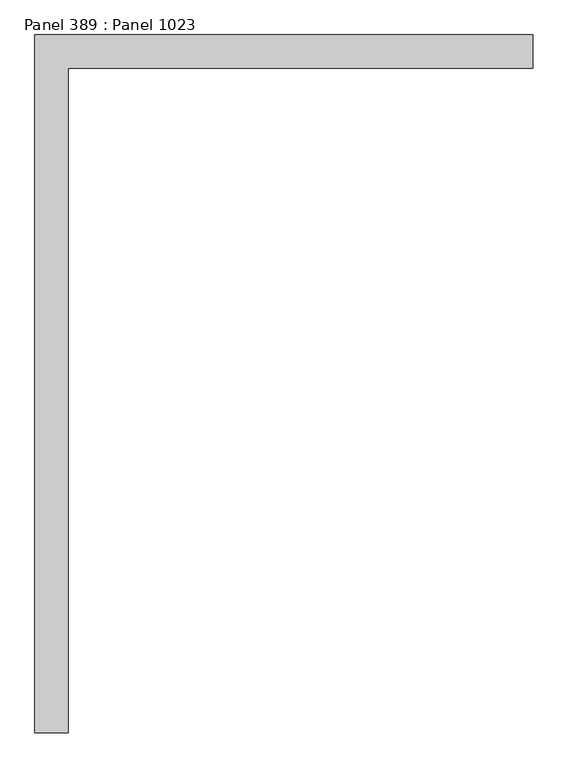
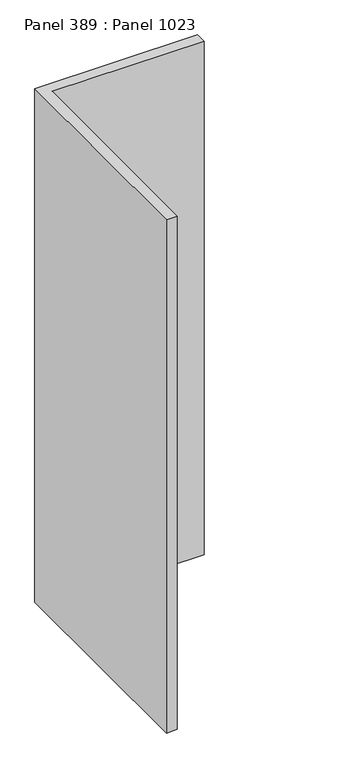
"""IFC4 building model written with IfcOpenShell, lengths in millimetres: proxy geometry, Panel 389 : Panel 1023."""

import ifcopenshell
import ifcopenshell.guid

model = None  # the IFC model being written
_history = None  # IfcOwnerHistory: only IFC2X3 demands one
_inside = {}  # id of a spatial element -> (the spatial element, [elements in it])
_under = {}  # id of a project, library or spatial element -> (it, [spatial elements below it])
_declared = {}  # id of a project -> (the project, [libraries it declares])
_typed = {}  # id of a type object -> (the type object, [elements of that type])
_made_of = {}  # id of a material, layer set ... -> (it, [elements and type objects made of it])


def new_model(schema):
    """Start an empty IFC model of exactly this schema.

    Asked for "IFC4X3", IfcOpenShell would pick the latest addendum, in which some entities
    have other attributes; the version numbers below select the first issue.
    IFC2X3 requires an IfcOwnerHistory on every rooted entity: one is made here for all.
    """
    global model, _history
    if schema == "IFC4X3":
        model = ifcopenshell.file(schema_version=(4, 3, 0, 0))
    else:
        model = ifcopenshell.file(schema=schema)
    _inside.clear()
    _under.clear()
    _declared.clear()
    _typed.clear()
    _made_of.clear()
    _history = None
    if model.schema == "IFC2X3":
        org = make("IfcOrganization", Name="unknown")
        user = make(
            "IfcPersonAndOrganization",
            ThePerson=make("IfcPerson", FamilyName="unknown"),
            TheOrganization=org,
        )
        app = make(
            "IfcApplication",
            ApplicationDeveloper=org,
            Version="unknown",
            ApplicationFullName="unknown",
            ApplicationIdentifier="unknown",
        )
        _history = make(
            "IfcOwnerHistory",
            OwningUser=user,
            OwningApplication=app,
            ChangeAction="ADDED",
            CreationDate=0,
        )
    return model


def make(cls, **values):
    """One entity of the class cls with the attributes given. An attribute that is None is left unset."""
    return model.create_entity(
        cls, **{name: value for name, value in values.items() if value is not None}
    )


def rooted(cls, **values):
    """An entity with a GlobalId (a new one), such as an element, a storey or a relation."""
    return make(cls, GlobalId=ifcopenshell.guid.new(), OwnerHistory=_history, **values)


def si_unit(unit_type, name, prefix=None):
    """IfcSIUnit, for example si_unit("LENGTHUNIT", "METRE", prefix="MILLI")."""
    return make("IfcSIUnit", UnitType=unit_type, Prefix=prefix, Name=name)


def assignment(units):
    """IfcUnitAssignment: the units of a project."""
    return None if units is None else make("IfcUnitAssignment", Units=units)


def point(xyz):
    """IfcCartesianPoint."""
    return None if xyz is None else make("IfcCartesianPoint", Coordinates=xyz)


def direction(xyz):
    """IfcDirection."""
    return None if xyz is None else make("IfcDirection", DirectionRatios=xyz)


def frame(location, z_axis=None, x_axis=None):
    """IfcAxis2Placement3D, a coordinate frame: its origin and axes. An axis left out is left unset."""
    return make(
        "IfcAxis2Placement3D",
        Location=point(location),
        Axis=direction(z_axis),
        RefDirection=direction(x_axis),
    )


def origin():
    """The frame at (0, 0, 0) with its axes left unset."""
    return frame((0.0, 0.0, 0.0))


def place(relative_to, where):
    """IfcLocalPlacement: puts the frame where relative to a parent placement (None: the world)."""
    return make(
        "IfcLocalPlacement", PlacementRelTo=relative_to, RelativePlacement=where
    )


def context(
    kind, dimensions, precision=None, world=None, true_north=None, identifier=None
):
    """IfcGeometricRepresentationContext, for example the 3D "Model" context."""
    return make(
        "IfcGeometricRepresentationContext",
        ContextIdentifier=identifier,
        ContextType=kind,
        CoordinateSpaceDimension=dimensions,
        Precision=precision,
        WorldCoordinateSystem=world,
        TrueNorth=true_north,
    )


def project(units=None, contexts=None):
    """IfcProject with its units and contexts."""
    return rooted(
        "IfcProject",
        Name="project",
        RepresentationContexts=contexts,
        UnitsInContext=assignment(units),
    )


def spatial(cls, under=None, at=None, **own):
    """A site, building, storey or space (cls), placed at a placement, below another one or the project."""
    s = rooted(cls, ObjectPlacement=at, **own)
    if under is not None:
        _under.setdefault(under.id(), (under, []))[1].append(s)
    return s


def polyline(points):
    """IfcPolyline through the points."""
    return make("IfcPolyline", Points=[point(p) for p in points])


def outline(outer, holes=None, kind="AREA"):
    """IfcArbitraryClosedProfileDef: a profile drawn as a closed curve; with holes, ...WithVoids."""
    if holes is None:
        return make("IfcArbitraryClosedProfileDef", ProfileType=kind, OuterCurve=outer)
    return make(
        "IfcArbitraryProfileDefWithVoids",
        ProfileType=kind,
        OuterCurve=outer,
        InnerCurves=holes,
    )


def extrude(swept, where, along, depth):
    """IfcExtrudedAreaSolid: the profile swept, set in the frame where, extruded along a direction by depth."""
    return make(
        "IfcExtrudedAreaSolid",
        SweptArea=swept,
        Position=where,
        ExtrudedDirection=direction(along),
        Depth=depth,
    )


def shape(context_of_items, identifier, shape_type, items):
    """IfcShapeRepresentation: the items that make up one representation, for example the "Body"."""
    return make(
        "IfcShapeRepresentation",
        ContextOfItems=context_of_items,
        RepresentationIdentifier=identifier,
        RepresentationType=shape_type,
        Items=items,
    )


def source(mapping_origin, context_of_items, identifier, shape_type, items):
    """IfcRepresentationMap: a shape defined once, which mapped items show again and again."""
    return make(
        "IfcRepresentationMap",
        MappingOrigin=mapping_origin,
        MappedRepresentation=shape(context_of_items, identifier, shape_type, items),
    )


def transform(
    local_origin,
    x_axis=None,
    y_axis=None,
    z_axis=None,
    scale=None,
    scale2=None,
    scale3=None,
    uniform=True,
):
    """IfcCartesianTransformationOperator3D, or its non-uniform kind. x_axis, y_axis, z_axis: its Axis1, 2, 3."""
    if uniform:
        return make(
            "IfcCartesianTransformationOperator3D",
            Axis1=direction(x_axis),
            Axis2=direction(y_axis),
            LocalOrigin=point(local_origin),
            Scale=scale,
            Axis3=direction(z_axis),
        )
    return make(
        "IfcCartesianTransformationOperator3DnonUniform",
        Axis1=direction(x_axis),
        Axis2=direction(y_axis),
        LocalOrigin=point(local_origin),
        Scale=scale,
        Axis3=direction(z_axis),
        Scale2=scale2,
        Scale3=scale3,
    )


def mapped(mapping_source, mapping_target):
    """IfcMappedItem: shows the shape of a source again, moved by a transform."""
    return make(
        "IfcMappedItem", MappingSource=mapping_source, MappingTarget=mapping_target
    )


def made_of(thing, what):
    """Note that an element or type object is made of a material, layer set ...; save() writes the relation."""
    if what is not None:
        _made_of.setdefault(what.id(), (what, []))[1].append(thing)
    return thing


def element(
    cls,
    number,
    at=None,
    inside=None,
    cuts=None,
    type_object=None,
    material=None,
    context=None,
    identifier="Body",
    shape_type=None,
    held_by="IfcProductDefinitionShape",
    body=None,
    shapes=None,
    **own,
):
    """One element of the class cls, such as IfcWall. Its Tag is "e" and its number.

    at: its placement. inside: the storey or other place that contains it. cuts: it is an
    opening in that element (IfcRelVoidsElement). A single representation is given by context,
    identifier, shape_type and body (its items); several are given by shapes. held_by: the class
    of the entity that holds the representations. save() writes the other relations.
    """
    e = rooted(cls, Tag="e%d" % number, ObjectPlacement=at, **own)
    if body is not None:
        shapes = [shape(context, identifier, shape_type, body)]
    if shapes is not None:
        e.Representation = make(held_by, Representations=shapes)
    if inside is not None:
        _inside.setdefault(inside.id(), (inside, []))[1].append(e)
    if cuts is not None:
        rooted(
            "IfcRelVoidsElement", RelatingBuildingElement=cuts, RelatedOpeningElement=e
        )
    if type_object is not None:
        _typed.setdefault(type_object.id(), (type_object, []))[1].append(e)
    return made_of(e, material)


def aggregate(whole, parts):
    """IfcRelAggregates: a whole, such as a stair, and the parts it consists of."""
    return rooted("IfcRelAggregates", RelatingObject=whole, RelatedObjects=parts)


def save(model, path):
    """Write the relations noted so far, then the file.

    IfcRelAggregates (storeys below a building ...), IfcRelContainedInSpatialStructure (elements
    in a storey), IfcRelDefinesByType, IfcRelAssociatesMaterial and IfcRelDeclares: one each for
    every whole, place, type object, material and project.
    """
    for whole, parts in _under.values():
        aggregate(whole, parts)
    for where, things in _inside.values():
        rooted(
            "IfcRelContainedInSpatialStructure",
            RelatedElements=things,
            RelatingStructure=where,
        )
    for kind, things in _typed.values():
        rooted("IfcRelDefinesByType", RelatedObjects=things, RelatingType=kind)
    for what, things in _made_of.values():
        rooted("IfcRelAssociatesMaterial", RelatedObjects=things, RelatingMaterial=what)
    for by, libraries in _declared.values():
        rooted("IfcRelDeclares", RelatingContext=by, RelatedDefinitions=libraries)
    model.write(path)


def panel_389_panel_1023_262d1636(model_context):
    return source(origin(), model_context, "Body", "SweptSolid", [
        extrude(outline(polyline([(27067.4761076, 344155.7855883), (27067.476108, 344105.7855382), (26367.4761068, 344105.7855745), (26367.4760868, 343105.7856537), (26317.4761162, 343105.7856547), (26317.4761078, 344155.7856153), (27067.4761076, 344155.7855883)])), frame((0.0, 0.0, 34575.0), z_axis=(0.0, 0.0, 1.0), x_axis=(1.0, 0.0, 0.0)), (0.0, 0.0, 1.0), 2500.0),
    ])


if __name__ == "__main__":
    model = new_model("IFC4")
    model_context = context("Model", 3, world=origin())
    ifc_project = project(units=[si_unit("LENGTHUNIT", "METRE", prefix="MILLI")], contexts=[model_context])
    site = spatial("IfcSite", under=ifc_project)
    building = spatial("IfcBuilding", under=site)
    placement = place(None, origin())
    panel_389_panel_1023_shape = panel_389_panel_1023_262d1636(model_context)
    element("IfcBuildingElementProxy", 1, Name="Panel 389 : Panel 1023", ObjectType="Panel 389 : Panel 1023", at=placement, inside=building, context=model_context, shape_type="MappedRepresentation", body=[
        mapped(panel_389_panel_1023_shape, transform((0.0, 0.0, 0.0), x_axis=(1.0, 0.0, 0.0), y_axis=(0.0, 1.0, 0.0), z_axis=(0.0, 0.0, 1.0))),
    ])
    save(model, "model.ifc")
